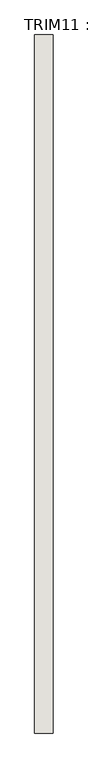
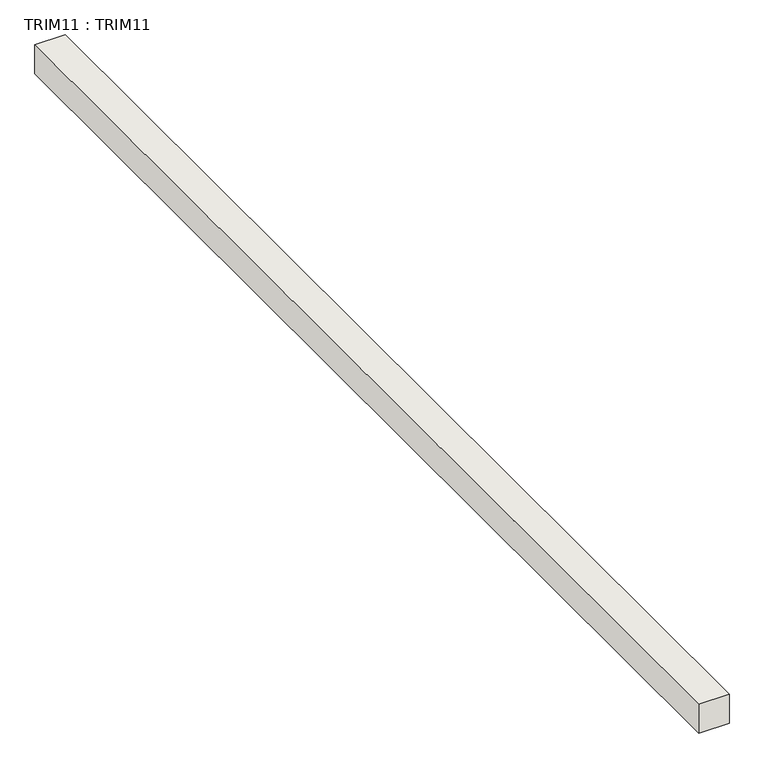
"""IFC4 building model written with IfcOpenShell, lengths in millimetres: wall geometry, TRIM11 : TRIM11."""

from ifc_helpers import new_model, si_unit, frame, origin, place, context, project, spatial, polyline, outline, extrude, source, transform, mapped, element, save


def trim11_trim11_03e5a999(model_context):
    return source(origin(), model_context, "Body", "SweptSolid", [
        extrude(outline(polyline([(-17212.0716415, 7427.6262386), (-17212.0716415, 10323.2262386), (-17135.8716415, 10323.2262386), (-17135.8716415, 7427.6262386), (-17212.0716415, 7427.6262386)])), frame((0.0, 0.0, 666.6507875), z_axis=(0.0, 0.0, 1.0), x_axis=(1.0, 0.0, 0.0)), (0.0, 0.0, 1.0), 76.2),
    ])


if __name__ == "__main__":
    model = new_model("IFC4")
    model_context = context("Model", 3, world=origin())
    ifc_project = project(units=[si_unit("LENGTHUNIT", "METRE", prefix="MILLI")], contexts=[model_context])
    site = spatial("IfcSite", under=ifc_project)
    building = spatial("IfcBuilding", under=site)
    placement = place(None, origin())
    trim11_trim11_shape = trim11_trim11_03e5a999(model_context)
    element("IfcWall", 1, ObjectType="TRIM11 : TRIM11", at=placement, inside=building, context=model_context, shape_type="MappedRepresentation", body=[
        mapped(trim11_trim11_shape, transform((0.0, 0.0, 0.0), x_axis=(1.0, 0.0, 0.0), y_axis=(0.0, 1.0, 0.0), z_axis=(0.0, 0.0, 1.0))),
    ])
    save(model, "model.ifc")
